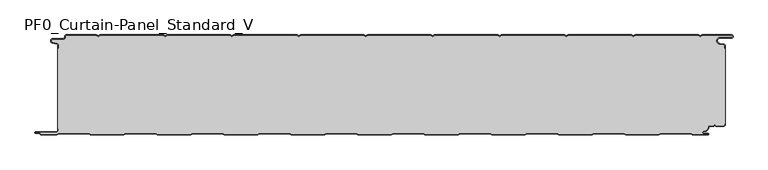
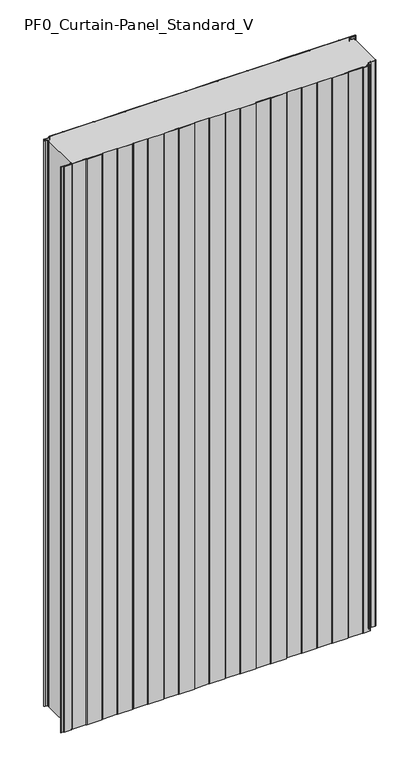
"""IFC4 building model written with IfcOpenShell, lengths in millimetres: plate geometry, PF0_Curtain-Panel_Standard_V."""

from ifc_helpers import new_model, si_unit, point, frame_2d, origin, origin_with_axes, place, context, project, spatial, polyline, circle_curve, trimmed, segment, composite_curve, outline, extrude, source, transform, mapped, element, save


def pf0_curtain_panel_standard_v_e6e71782(model_context):
    return source(origin(), model_context, "Body", "SweptSolid", [
        extrude(outline(composite_curve([segment(trimmed(circle_curve(frame_2d((-502.0, -15.878557)), 2.0), [point((-500.0, -15.878557))], [point((-501.5500978, -13.9298169))], True, "CARTESIAN"), True, "CONTINUOUS"), segment(polyline([(-501.5500978, -13.9298169), (-507.7098239, -12.507732)]), True, "CONTINUOUS"), segment(trimmed(circle_curve(frame_2d((-506.9, -9.0)), 3.6), [point((-507.7098239, -12.507732))], [point((-506.9, -5.4))], False, "CARTESIAN"), True, "CONTINUOUS"), segment(polyline([(-506.9, -5.4), (-491.4, -5.4)]), True, "CONTINUOUS"), segment(trimmed(circle_curve(frame_2d((-491.4, -3.4)), 2.0), [point((-491.4, -5.4))], [point((-489.4, -3.4))], True, "CARTESIAN"), True, "CONTINUOUS"), segment(polyline([(-489.4, -3.4), (-489.4, -2.0)]), True, "CONTINUOUS"), segment(trimmed(circle_curve(frame_2d((-487.4, -2.0)), 2.0), [point((-489.4, -2.0))], [point((-487.4, 0.0))], False, "CARTESIAN"), True, "CONTINUOUS"), segment(polyline([(-487.4, 0.0), (-442.0999995, 0.0), (-439.4, -1.5588455), (-436.7000005, 0.0), (-342.0999995, 0.0), (-339.4, -1.5588455), (-336.7000005, 0.0), (-242.0999995, 0.0), (-239.4, -1.5588455), (-236.7000005, 0.0), (-142.0999995, 0.0), (-139.4, -1.5588455), (-136.7000005, 0.0), (-42.0999995, 0.0), (-39.4, -1.5588455), (-36.7000005, 0.0), (57.9000005, 0.0), (60.6, -1.5588455), (63.2999995, 0.0), (157.9000005, 0.0), (160.6, -1.5588455), (163.2999995, 0.0), (257.9000005, 0.0), (260.6, -1.5588455), (263.2999995, 0.0), (357.9000005, 0.0), (360.6, -1.5588455), (363.2999995, 0.0), (457.9000005, 0.0), (460.6, -1.5588455), (463.2999995, 0.0), (507.268846, 0.0)]), True, "CONTINUOUS"), segment(trimmed(circle_curve(frame_2d((507.268846, -2.5)), 2.5), [point((507.268846, 0.0))], [point((507.268846, -5.0))], False, "CARTESIAN"), True, "CONTINUOUS"), segment(polyline([(507.268846, -5.0), (490.268846, -5.0)]), True, "CONTINUOUS"), segment(trimmed(circle_curve(frame_2d((490.268846, -9.0)), 4.0), [point((490.268846, -5.0))], [point((489.574253, -12.939231))], True, "CARTESIAN"), True, "CONTINUOUS"), segment(polyline([(489.574253, -12.939231), (496.0203315, -14.0758491)]), True, "CONTINUOUS"), segment(trimmed(circle_curve(frame_2d((495.568846, -16.6363492)), 2.6), [point((496.0203315, -14.0758491))], [point((498.168846, -16.6363492))], False, "CARTESIAN"), True, "CONTINUOUS"), segment(polyline([(498.168846, -16.6363492), (498.168846, -20.0), (497.368846, -20.0), (497.368846, -16.6363492)]), True, "CONTINUOUS"), segment(trimmed(circle_curve(frame_2d((495.568846, -16.6363492)), 1.8), [point((497.368846, -16.6363492))], [point((495.8814129, -14.8636953))], True, "CARTESIAN"), True, "CONTINUOUS"), segment(polyline([(495.8814129, -14.8636953), (489.4353344, -13.7270772)]), True, "CONTINUOUS"), segment(trimmed(circle_curve(frame_2d((490.268846, -9.0)), 4.8), [point((489.4353344, -13.7270772))], [point((490.268846, -4.2))], False, "CARTESIAN"), True, "CONTINUOUS"), segment(polyline([(490.268846, -4.2), (507.268846, -4.2)]), True, "CONTINUOUS"), segment(trimmed(circle_curve(frame_2d((507.268846, -2.5)), 1.7), [point((507.268846, -4.2))], [point((507.268846, -0.8))], True, "CARTESIAN"), True, "CONTINUOUS"), segment(polyline([(507.268846, -0.8), (463.5143588, -0.8), (460.6, -2.482606), (457.6856412, -0.8), (363.5143588, -0.8), (360.6, -2.482606), (357.6856412, -0.8), (263.5143588, -0.8), (260.6, -2.482606), (257.6856412, -0.8), (163.5143588, -0.8), (160.6, -2.482606), (157.6856412, -0.8), (63.5143588, -0.8), (60.6, -2.482606), (57.6856412, -0.8), (-36.4856412, -0.8), (-39.4, -2.482606), (-42.3143588, -0.8), (-136.4856412, -0.8), (-139.4, -2.482606), (-142.3143588, -0.8), (-236.4856412, -0.8), (-239.4, -2.482606), (-242.3143588, -0.8), (-336.4856412, -0.8), (-339.4, -2.482606), (-342.3143588, -0.8), (-436.4856412, -0.8), (-439.4, -2.482606), (-442.3143588, -0.8), (-487.4, -0.8)]), True, "CONTINUOUS"), segment(trimmed(circle_curve(frame_2d((-487.4, -2.0)), 1.2), [point((-487.4, -0.8))], [point((-488.6, -2.0))], True, "CARTESIAN"), True, "CONTINUOUS"), segment(polyline([(-488.6, -2.0), (-488.6, -3.4)]), True, "CONTINUOUS"), segment(trimmed(circle_curve(frame_2d((-491.4, -3.4)), 2.8), [point((-488.6, -3.4))], [point((-491.4, -6.2))], False, "CARTESIAN"), True, "CONTINUOUS"), segment(polyline([(-491.4, -6.2), (-506.9, -6.2)]), True, "CONTINUOUS"), segment(trimmed(circle_curve(frame_2d((-506.9, -9.0)), 2.8), [point((-506.9, -6.2))], [point((-507.529863, -11.7282362))], True, "CARTESIAN"), True, "CONTINUOUS"), segment(polyline([(-507.529863, -11.7282362), (-501.370137, -13.150321)]), True, "CONTINUOUS"), segment(trimmed(circle_curve(frame_2d((-502.0, -15.878557)), 2.8), [point((-501.370137, -13.150321))], [point((-499.2, -15.878557))], False, "CARTESIAN"), True, "CONTINUOUS"), segment(polyline([(-499.2, -15.878557), (-499.2, -20.0), (-500.0, -20.0), (-500.0, -15.878557)]), True, "CONTINUOUS")], self_intersect=False)), origin_with_axes(), (0.0, 0.0, 1.0), 1945.7507136),
        extrude(outline(composite_curve([segment(polyline([(-499.2, -140.0), (-500.0, -140.0), (-500.0, -20.0), (-499.2, -20.0), (-499.2, -15.878557)]), True, "CONTINUOUS"), segment(trimmed(circle_curve(frame_2d((-502.0, -15.878557)), 2.8), [point((-499.2, -15.878557))], [point((-501.370137, -13.1503208))], True, "CARTESIAN"), True, "CONTINUOUS"), segment(polyline([(-501.370137, -13.1503208), (-507.529863, -11.7282362)]), True, "CONTINUOUS"), segment(trimmed(circle_curve(frame_2d((-506.9, -9.0)), 2.8), [point((-507.529863, -11.7282362))], [point((-506.9, -6.2))], False, "CARTESIAN"), True, "CONTINUOUS"), segment(polyline([(-506.9, -6.2), (-491.4, -6.2)]), True, "CONTINUOUS"), segment(trimmed(circle_curve(frame_2d((-491.4, -3.4)), 2.8), [point((-491.4, -6.2))], [point((-488.6, -3.4))], True, "CARTESIAN"), True, "CONTINUOUS"), segment(polyline([(-488.6, -3.4), (-488.6, -2.0)]), True, "CONTINUOUS"), segment(trimmed(circle_curve(frame_2d((-487.4, -2.0)), 1.2), [point((-488.6, -2.0))], [point((-487.4, -0.8))], False, "CARTESIAN"), True, "CONTINUOUS"), segment(polyline([(-487.4, -0.8), (-442.3143588, -0.8), (-439.4, -2.482606), (-436.4856412, -0.8), (-342.3143588, -0.8), (-339.4, -2.482606), (-336.4856412, -0.8), (-242.3143588, -0.8), (-239.4, -2.482606), (-236.4856412, -0.8), (-142.3143588, -0.8), (-139.4, -2.482606), (-136.4856412, -0.8), (-42.3143588, -0.8), (-39.4, -2.482606), (-36.4856412, -0.8), (57.6856412, -0.8), (60.6, -2.482606), (63.5143588, -0.8), (157.6856412, -0.8), (160.6, -2.482606), (163.5143588, -0.8), (257.6856412, -0.8), (260.6, -2.482606), (263.5143588, -0.8), (357.6856412, -0.8), (360.6, -2.482606), (363.5143588, -0.8), (457.6856412, -0.8), (460.6, -2.482606), (463.5143588, -0.8), (507.268846, -0.8)]), True, "CONTINUOUS"), segment(trimmed(circle_curve(frame_2d((507.268846, -2.5)), 1.7), [point((507.268846, -0.8))], [point((507.268846, -4.2))], False, "CARTESIAN"), True, "CONTINUOUS"), segment(polyline([(507.268846, -4.2), (490.268846, -4.2)]), True, "CONTINUOUS"), segment(trimmed(circle_curve(frame_2d((490.268846, -9.0)), 4.8), [point((490.268846, -4.2))], [point((489.4353344, -13.7270772))], True, "CARTESIAN"), True, "CONTINUOUS"), segment(polyline([(489.4353344, -13.7270772), (495.8814129, -14.8636953)]), True, "CONTINUOUS"), segment(trimmed(circle_curve(frame_2d((495.568846, -16.6363492)), 1.8), [point((495.8814129, -14.8636953))], [point((497.368846, -16.6363492))], False, "CARTESIAN"), True, "CONTINUOUS"), segment(polyline([(497.368846, -16.6363492), (497.368846, -20.0), (498.168846, -20.0), (498.168846, -133.0), (497.368846, -133.0), (497.368846, -134.4)]), True, "CONTINUOUS"), segment(trimmed(circle_curve(frame_2d((495.568846, -134.4)), 1.8), [point((497.368846, -134.4))], [point((495.568846, -136.2))], False, "CARTESIAN"), True, "CONTINUOUS"), segment(polyline([(495.568846, -136.2), (484.0002158, -136.2), (482.168846, -134.3686285), (480.3374762, -136.2), (474.168846, -136.2)]), True, "CONTINUOUS"), segment(trimmed(circle_curve(frame_2d((474.168846, -138.0)), 1.8), [point((474.168846, -136.2))], [point((472.368846, -138.0))], True, "CARTESIAN"), True, "CONTINUOUS"), segment(polyline([(472.368846, -138.0), (472.368846, -138.8276204)]), True, "CONTINUOUS"), segment(trimmed(circle_curve(frame_2d((466.9964664, -138.8276204)), 5.3723796), [point((472.368846, -138.8276204))], [point((466.9964664, -144.2))], False, "CARTESIAN"), True, "CONTINUOUS"), segment(polyline([(466.9964664, -144.2), (466.168846, -144.2)]), True, "CONTINUOUS"), segment(trimmed(circle_curve(frame_2d((466.168846, -146.4)), 2.2), [point((466.168846, -144.2))], [point((466.168846, -148.6))], True, "CARTESIAN"), True, "CONTINUOUS"), segment(polyline([(466.168846, -148.6), (472.0579973, -148.6)]), True, "CONTINUOUS"), segment(trimmed(circle_curve(frame_2d((472.0579973, -148.9)), 0.3), [point((472.0579973, -148.6))], [point((472.0579973, -149.2))], False, "CARTESIAN"), True, "CONTINUOUS"), segment(polyline([(472.0579973, -149.2), (449.2152562, -149.2), (446.6171786, -147.7), (401.3884624, -147.7), (398.7903848, -149.2), (349.2152562, -149.2), (346.6171786, -147.7), (301.3884624, -147.7), (298.7903848, -149.2), (249.2152562, -149.2), (246.6171786, -147.7), (201.3884624, -147.7), (198.7903848, -149.2), (149.2152562, -149.2), (146.6171786, -147.7), (101.3884624, -147.7), (98.7903848, -149.2), (49.2152562, -149.2), (46.6171786, -147.7), (1.3884624, -147.7), (-1.2096152, -149.2), (-50.7847438, -149.2), (-53.3828214, -147.7), (-98.6115376, -147.7), (-101.2096152, -149.2), (-150.7847438, -149.2), (-153.3828214, -147.7), (-198.6115376, -147.7), (-201.2096152, -149.2), (-250.7847438, -149.2), (-253.3828214, -147.7), (-298.6115376, -147.7), (-301.2096152, -149.2), (-350.7847438, -149.2), (-353.3828214, -147.7), (-398.6115376, -147.7), (-401.2096152, -149.2), (-450.7847438, -149.2), (-453.3828214, -147.7), (-498.6115376, -147.7), (-501.2096152, -149.2), (-524.4, -149.2)]), True, "CONTINUOUS"), segment(trimmed(circle_curve(frame_2d((-524.4, -148.4)), 0.8), [point((-524.4, -149.2))], [point((-525.2, -148.4))], False, "CARTESIAN"), True, "CONTINUOUS"), segment(trimmed(circle_curve(frame_2d((-526.9, -148.6133333)), 1.7133333), [point((-525.2, -148.4))], [point((-526.9, -146.9))], True, "CARTESIAN"), True, "CONTINUOUS"), segment(polyline([(-526.9, -146.9), (-532.8700312, -146.9)]), True, "CONTINUOUS"), segment(trimmed(circle_curve(frame_2d((-532.8700312, -146.6)), 0.3), [point((-532.8700312, -146.9))], [point((-532.8700312, -146.3))], False, "CARTESIAN"), True, "CONTINUOUS"), segment(polyline([(-532.8700312, -146.3), (-502.0, -146.3)]), True, "CONTINUOUS"), segment(trimmed(circle_curve(frame_2d((-502.0, -143.5)), 2.8), [point((-502.0, -146.3))], [point((-499.2, -143.5))], True, "CARTESIAN"), True, "CONTINUOUS"), segment(polyline([(-499.2, -143.5), (-499.2, -140.0)]), True, "CONTINUOUS")], self_intersect=False)), origin_with_axes(), (0.0, 0.0, 1.0), 1945.7507136),
        extrude(outline(composite_curve([segment(polyline([(-500.0, -140.0), (-499.2, -140.0), (-499.2, -143.5)]), True, "CONTINUOUS"), segment(trimmed(circle_curve(frame_2d((-502.0, -143.5)), 2.8), [point((-499.2, -143.5))], [point((-502.0, -146.3))], False, "CARTESIAN"), True, "CONTINUOUS"), segment(polyline([(-502.0, -146.3), (-532.8700312, -146.3)]), True, "CONTINUOUS"), segment(trimmed(circle_curve(frame_2d((-532.8700312, -146.6)), 0.3), [point((-532.8700312, -146.3))], [point((-532.8700312, -146.9))], True, "CARTESIAN"), True, "CONTINUOUS"), segment(polyline([(-532.8700312, -146.9), (-526.9, -146.9)]), True, "CONTINUOUS"), segment(trimmed(circle_curve(frame_2d((-526.9, -148.6133333)), 1.7133333), [point((-526.9, -146.9))], [point((-525.2, -148.4))], False, "CARTESIAN"), True, "CONTINUOUS"), segment(trimmed(circle_curve(frame_2d((-524.4, -148.4)), 0.8), [point((-525.2, -148.4))], [point((-524.4, -149.2))], True, "CARTESIAN"), True, "CONTINUOUS"), segment(polyline([(-524.4, -149.2), (-501.2096152, -149.2), (-498.6115376, -147.7), (-453.3828214, -147.7), (-450.7847438, -149.2), (-401.2096152, -149.2), (-398.6115376, -147.7), (-353.3828214, -147.7), (-350.7847438, -149.2), (-301.2096152, -149.2), (-298.6115376, -147.7), (-253.3828214, -147.7), (-250.7847438, -149.2), (-201.2096152, -149.2), (-198.6115376, -147.7), (-153.3828214, -147.7), (-150.7847438, -149.2), (-101.2096152, -149.2), (-98.6115376, -147.7), (-53.3828214, -147.7), (-50.7847438, -149.2), (-1.2096152, -149.2), (1.3884624, -147.7), (46.6171786, -147.7), (49.2152562, -149.2), (98.7903848, -149.2), (101.3884624, -147.7), (146.6171786, -147.7), (149.2152562, -149.2), (198.7903848, -149.2), (201.3884624, -147.7), (246.6171786, -147.7), (249.2152562, -149.2), (298.7903848, -149.2), (301.3884624, -147.7), (346.6171786, -147.7), (349.2152562, -149.2), (398.7903848, -149.2), (401.3884624, -147.7), (446.6171786, -147.7), (449.2152562, -149.2), (472.0579973, -149.2)]), True, "CONTINUOUS"), segment(trimmed(circle_curve(frame_2d((472.0579973, -148.9)), 0.3), [point((472.0579973, -149.2))], [point((472.0579973, -148.6))], True, "CARTESIAN"), True, "CONTINUOUS"), segment(polyline([(472.0579973, -148.6), (466.168846, -148.6)]), True, "CONTINUOUS"), segment(trimmed(circle_curve(frame_2d((466.168846, -146.4)), 2.2), [point((466.168846, -148.6))], [point((466.168846, -144.2))], False, "CARTESIAN"), True, "CONTINUOUS"), segment(polyline([(466.168846, -144.2), (466.9964664, -144.2)]), True, "CONTINUOUS"), segment(trimmed(circle_curve(frame_2d((466.9964664, -138.8276204)), 5.3723796), [point((466.9964664, -144.2))], [point((472.368846, -138.8276204))], True, "CARTESIAN"), True, "CONTINUOUS"), segment(polyline([(472.368846, -138.8276204), (472.368846, -138.0)]), True, "CONTINUOUS"), segment(trimmed(circle_curve(frame_2d((474.168846, -138.0)), 1.8), [point((472.368846, -138.0))], [point((474.168846, -136.2))], False, "CARTESIAN"), True, "CONTINUOUS"), segment(polyline([(474.168846, -136.2), (480.3374762, -136.2), (482.168846, -134.3686285), (484.0002158, -136.2), (495.568846, -136.2)]), True, "CONTINUOUS"), segment(trimmed(circle_curve(frame_2d((495.568846, -134.4)), 1.8), [point((495.568846, -136.2))], [point((497.368846, -134.4))], True, "CARTESIAN"), True, "CONTINUOUS"), segment(polyline([(497.368846, -134.4), (497.368846, -133.0), (498.168846, -133.0), (498.168846, -134.4)]), True, "CONTINUOUS"), segment(trimmed(circle_curve(frame_2d((495.568846, -134.4)), 2.6), [point((498.168846, -134.4))], [point((495.568846, -137.0))], False, "CARTESIAN"), True, "CONTINUOUS"), segment(polyline([(495.568846, -137.0), (483.6688448, -137.0), (482.168846, -135.4999999), (480.6688472, -137.0), (474.168846, -137.0)]), True, "CONTINUOUS"), segment(trimmed(circle_curve(frame_2d((474.168846, -138.0)), 1.0), [point((474.168846, -137.0))], [point((473.168846, -138.0))], True, "CARTESIAN"), True, "CONTINUOUS"), segment(polyline([(473.168846, -138.0), (473.168846, -138.8276204)]), True, "CONTINUOUS"), segment(trimmed(circle_curve(frame_2d((466.9964664, -138.8276204)), 6.1723796), [point((473.168846, -138.8276204))], [point((466.9964664, -145.0))], False, "CARTESIAN"), True, "CONTINUOUS"), segment(polyline([(466.9964664, -145.0), (466.168846, -145.0)]), True, "CONTINUOUS"), segment(trimmed(circle_curve(frame_2d((466.168846, -146.5)), 1.5), [point((466.168846, -145.0))], [point((466.168846, -148.0))], True, "CARTESIAN"), True, "CONTINUOUS"), segment(polyline([(466.168846, -148.0), (472.168846, -148.0)]), True, "CONTINUOUS"), segment(trimmed(circle_curve(frame_2d((472.168846, -149.0)), 1.0), [point((472.168846, -148.0))], [point((472.168846, -150.0))], False, "CARTESIAN"), True, "CONTINUOUS"), segment(polyline([(472.168846, -150.0), (449.0008969, -150.0), (446.4028193, -148.5), (401.6028217, -148.5), (399.0047441, -150.0), (349.0008969, -150.0), (346.4028193, -148.5), (301.6028217, -148.5), (299.0047441, -150.0), (249.0008969, -150.0), (246.4028193, -148.5), (201.6028217, -148.5), (199.0047441, -150.0), (149.0008969, -150.0), (146.4028193, -148.5), (101.6028217, -148.5), (99.0047441, -150.0), (49.0008969, -150.0), (46.4028193, -148.5), (1.6028217, -148.5), (-0.9952559, -150.0), (-50.9991031, -150.0), (-53.5971807, -148.5), (-98.3971783, -148.5), (-100.9952559, -150.0), (-150.9991031, -150.0), (-153.5971807, -148.5), (-198.3971783, -148.5), (-200.9952559, -150.0), (-250.9991031, -150.0), (-253.5971807, -148.5), (-298.3971783, -148.5), (-300.9952559, -150.0), (-350.9991031, -150.0), (-353.5971807, -148.5), (-398.3971783, -148.5), (-400.9952559, -150.0), (-450.9991031, -150.0), (-453.5971807, -148.5), (-498.3971783, -148.5), (-500.9952559, -150.0), (-524.4, -150.0)]), True, "CONTINUOUS"), segment(trimmed(circle_curve(frame_2d((-524.4, -148.4)), 1.6), [point((-524.4, -150.0))], [point((-526.0, -148.4))], False, "CARTESIAN"), True, "CONTINUOUS"), segment(trimmed(circle_curve(frame_2d((-526.9, -148.4)), 0.9), [point((-526.0, -148.4))], [point((-526.9, -147.5))], True, "CARTESIAN"), True, "CONTINUOUS"), segment(polyline([(-526.9, -147.5), (-533.0, -147.5)]), True, "CONTINUOUS"), segment(trimmed(circle_curve(frame_2d((-533.0, -146.5)), 1.0), [point((-533.0, -147.5))], [point((-533.0, -145.5))], False, "CARTESIAN"), True, "CONTINUOUS"), segment(polyline([(-533.0, -145.5), (-502.0, -145.5)]), True, "CONTINUOUS"), segment(trimmed(circle_curve(frame_2d((-502.0, -143.5)), 2.0), [point((-502.0, -145.5))], [point((-500.0, -143.5))], True, "CARTESIAN"), True, "CONTINUOUS"), segment(polyline([(-500.0, -143.5), (-500.0, -140.0)]), True, "CONTINUOUS")], self_intersect=False)), origin_with_axes(), (0.0, 0.0, 1.0), 1945.7507136),
    ])


if __name__ == "__main__":
    model = new_model("IFC4")
    model_context = context("Model", 3, world=origin())
    ifc_project = project(units=[si_unit("LENGTHUNIT", "METRE", prefix="MILLI")], contexts=[model_context])
    site = spatial("IfcSite", under=ifc_project)
    building = spatial("IfcBuilding", under=site)
    placement = place(None, origin())
    pf0_curtain_panel_standard_v_shape = pf0_curtain_panel_standard_v_e6e71782(model_context)
    element("IfcPlate", 1, ObjectType="PF0_Curtain-Panel_Standard_V", at=placement, inside=building, context=model_context, shape_type="MappedRepresentation", body=[
        mapped(pf0_curtain_panel_standard_v_shape, transform((0.0, 0.0, 0.0), x_axis=(1.0, 0.0, 0.0), y_axis=(0.0, 1.0, 0.0), z_axis=(0.0, 0.0, 1.0))),
    ])
    save(model, "model.ifc")
